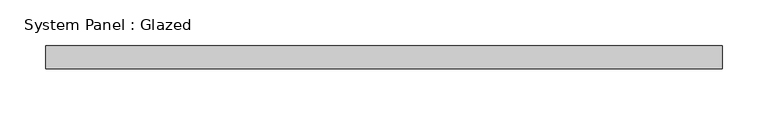
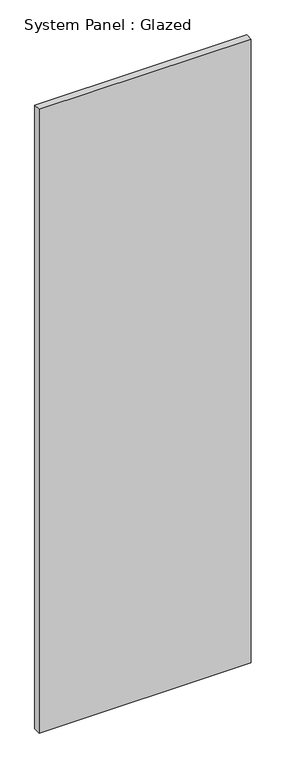
"""IFC4 building model written with IfcOpenShell, lengths in millimetres: plate geometry, System Panel : Glazed."""

from ifc_helpers import new_model, si_unit, origin, origin_with_axes, place, context, project, spatial, polyline, outline, extrude, source, transform, mapped, element, save


def system_panel_glazed_ee464bee(model_context):
    return source(origin(), model_context, "Body", "SweptSolid", [
        extrude(outline(polyline([(370.0, 24.5), (-370.0, 24.5), (-370.0, 49.5), (370.0, 49.5), (370.0, 24.5)])), origin_with_axes(), (0.0, 0.0, 1.0), 2300.0),
    ])


if __name__ == "__main__":
    model = new_model("IFC4")
    model_context = context("Model", 3, world=origin())
    ifc_project = project(units=[si_unit("LENGTHUNIT", "METRE", prefix="MILLI")], contexts=[model_context])
    site = spatial("IfcSite", under=ifc_project)
    building = spatial("IfcBuilding", under=site)
    placement = place(None, origin())
    system_panel_glazed_shape = system_panel_glazed_ee464bee(model_context)
    element("IfcPlate", 1, ObjectType="System Panel : Glazed", at=placement, inside=building, context=model_context, shape_type="MappedRepresentation", body=[
        mapped(system_panel_glazed_shape, transform((0.0, 0.0, 0.0), x_axis=(1.0, 0.0, 0.0), y_axis=(0.0, 1.0, 0.0), z_axis=(0.0, 0.0, 1.0))),
    ])
    save(model, "model.ifc")
